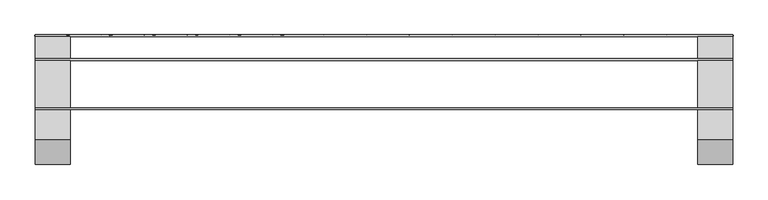
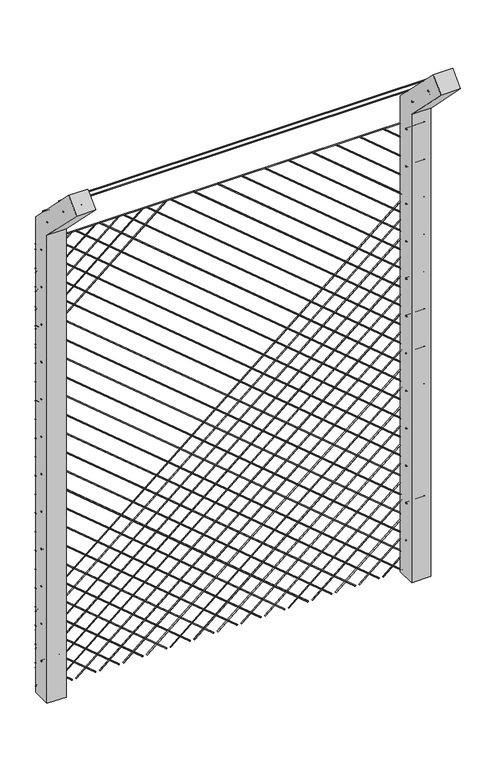
"""IFC4 building model written with IfcOpenShell, lengths in millimetres: proxy geometry."""

from ifc_helpers import new_model, si_unit, point, frame, frame_2d, origin, origin_2d, place, context, project, spatial, polyline, circle_curve, trimmed, segment, composite_curve, outline, extrude, source, transform, mapped, element, save


def generic_models_ff42e569(model_context):
    return source(origin(), model_context, "Body", "SweptSolid", [
        extrude(outline(polyline([(50.0, 0.0), (-50.0, 0.0), (-50.0, 2579.2893219), (-318.1980515, 2847.4873734), (-247.4873734, 2918.1980515), (50.0, 2620.7106781), (50.0, 0.0)]), holes=[composite_curve([segment(trimmed(circle_curve(frame_2d((0.0, 203.0)), 3.0), [point((3.0, 203.0))], [point((-3.0, 203.0))], True, "CARTESIAN"), True, "CONTINUOUS"), segment(trimmed(circle_curve(frame_2d((0.0, 203.0)), 3.0), [point((-3.0, 203.0))], [point((3.0, 203.0))], True, "CARTESIAN"), True, "CONTINUOUS")], self_intersect=False), composite_curve([segment(trimmed(circle_curve(frame_2d((0.0, 409.0)), 3.0), [point((3.0, 409.0))], [point((-3.0, 409.0))], True, "CARTESIAN"), True, "CONTINUOUS"), segment(trimmed(circle_curve(frame_2d((0.0, 409.0)), 3.0), [point((-3.0, 409.0))], [point((3.0, 409.0))], True, "CARTESIAN"), True, "CONTINUOUS")], self_intersect=False), composite_curve([segment(trimmed(circle_curve(frame_2d((0.0, 615.0)), 3.0), [point((3.0, 615.0))], [point((-3.0, 615.0))], True, "CARTESIAN"), True, "CONTINUOUS"), segment(trimmed(circle_curve(frame_2d((0.0, 615.0)), 3.0), [point((-3.0, 615.0))], [point((3.0, 615.0))], True, "CARTESIAN"), True, "CONTINUOUS")], self_intersect=False), composite_curve([segment(trimmed(circle_curve(frame_2d((0.0, 821.0)), 3.0), [point((3.0, 821.0))], [point((-3.0, 821.0))], True, "CARTESIAN"), True, "CONTINUOUS"), segment(trimmed(circle_curve(frame_2d((0.0, 821.0)), 3.0), [point((-3.0, 821.0))], [point((3.0, 821.0))], True, "CARTESIAN"), True, "CONTINUOUS")], self_intersect=False), composite_curve([segment(trimmed(circle_curve(frame_2d((0.0, 1027.0)), 3.0), [point((3.0, 1027.0))], [point((-3.0, 1027.0))], True, "CARTESIAN"), True, "CONTINUOUS"), segment(trimmed(circle_curve(frame_2d((0.0, 1027.0)), 3.0), [point((-3.0, 1027.0))], [point((3.0, 1027.0))], True, "CARTESIAN"), True, "CONTINUOUS")], self_intersect=False), composite_curve([segment(trimmed(circle_curve(frame_2d((0.0, 1233.0)), 3.0), [point((3.0, 1233.0))], [point((-3.0, 1233.0))], True, "CARTESIAN"), True, "CONTINUOUS"), segment(trimmed(circle_curve(frame_2d((0.0, 1233.0)), 3.0), [point((-3.0, 1233.0))], [point((3.0, 1233.0))], True, "CARTESIAN"), True, "CONTINUOUS")], self_intersect=False), composite_curve([segment(trimmed(circle_curve(frame_2d((0.0, 1439.0)), 3.0), [point((3.0, 1439.0))], [point((-3.0, 1439.0))], True, "CARTESIAN"), True, "CONTINUOUS"), segment(trimmed(circle_curve(frame_2d((0.0, 1439.0)), 3.0), [point((-3.0, 1439.0))], [point((3.0, 1439.0))], True, "CARTESIAN"), True, "CONTINUOUS")], self_intersect=False), composite_curve([segment(trimmed(circle_curve(frame_2d((0.0, 1645.0)), 3.0), [point((3.0, 1645.0))], [point((-3.0, 1645.0))], True, "CARTESIAN"), True, "CONTINUOUS"), segment(trimmed(circle_curve(frame_2d((0.0, 1645.0)), 3.0), [point((-3.0, 1645.0))], [point((3.0, 1645.0))], True, "CARTESIAN"), True, "CONTINUOUS")], self_intersect=False), composite_curve([segment(trimmed(circle_curve(frame_2d((0.0, 1851.0)), 3.0), [point((3.0, 1851.0))], [point((-3.0, 1851.0))], True, "CARTESIAN"), True, "CONTINUOUS"), segment(trimmed(circle_curve(frame_2d((0.0, 1851.0)), 3.0), [point((-3.0, 1851.0))], [point((3.0, 1851.0))], True, "CARTESIAN"), True, "CONTINUOUS")], self_intersect=False), composite_curve([segment(trimmed(circle_curve(frame_2d((0.0, 2057.0)), 3.0), [point((3.0, 2057.0))], [point((-3.0, 2057.0))], True, "CARTESIAN"), True, "CONTINUOUS"), segment(trimmed(circle_curve(frame_2d((0.0, 2057.0)), 3.0), [point((-3.0, 2057.0))], [point((3.0, 2057.0))], True, "CARTESIAN"), True, "CONTINUOUS")], self_intersect=False), composite_curve([segment(trimmed(circle_curve(frame_2d((0.0, 2263.0)), 3.0), [point((3.0, 2263.0))], [point((-3.0, 2263.0))], True, "CARTESIAN"), True, "CONTINUOUS"), segment(trimmed(circle_curve(frame_2d((0.0, 2263.0)), 3.0), [point((-3.0, 2263.0))], [point((3.0, 2263.0))], True, "CARTESIAN"), True, "CONTINUOUS")], self_intersect=False), composite_curve([segment(trimmed(circle_curve(frame_2d((0.0, 2469.0)), 3.0), [point((3.0, 2469.0))], [point((-3.0, 2469.0))], True, "CARTESIAN"), True, "CONTINUOUS"), segment(trimmed(circle_curve(frame_2d((0.0, 2469.0)), 3.0), [point((-3.0, 2469.0))], [point((3.0, 2469.0))], True, "CARTESIAN"), True, "CONTINUOUS")], self_intersect=False), composite_curve([segment(trimmed(circle_curve(frame_2d((-53.0330086, 2653.0330086)), 3.0), [point((-50.0330086, 2653.0330086))], [point((-56.0330086, 2653.0330086))], True, "CARTESIAN"), True, "CONTINUOUS"), segment(trimmed(circle_curve(frame_2d((-53.0330086, 2653.0330086)), 3.0), [point((-56.0330086, 2653.0330086))], [point((-50.0330086, 2653.0330086))], True, "CARTESIAN"), True, "CONTINUOUS")], self_intersect=False), composite_curve([segment(trimmed(circle_curve(frame_2d((-198.6970055, 2798.6970055)), 3.0), [point((-195.6970055, 2798.6970055))], [point((-201.6970055, 2798.6970055))], True, "CARTESIAN"), True, "CONTINUOUS"), segment(trimmed(circle_curve(frame_2d((-198.6970055, 2798.6970055)), 3.0), [point((-201.6970055, 2798.6970055))], [point((-195.6970055, 2798.6970055))], True, "CARTESIAN"), True, "CONTINUOUS")], self_intersect=False)]), frame((900.0, 0.0, 0.0), z_axis=(1.0, 0.0, 0.0), x_axis=(0.0, 1.0, 0.0)), (0.0, 0.0, 1.0), 100.0),
        extrude(outline(polyline([(50.0, 0.0), (-50.0, 0.0), (-50.0, 2579.2893219), (-318.1980515, 2847.4873734), (-247.4873734, 2918.1980515), (50.0, 2620.7106781), (50.0, 0.0)]), holes=[composite_curve([segment(trimmed(circle_curve(frame_2d((0.0, 203.0)), 3.0), [point((3.0, 203.0))], [point((-3.0, 203.0))], True, "CARTESIAN"), True, "CONTINUOUS"), segment(trimmed(circle_curve(frame_2d((0.0, 203.0)), 3.0), [point((-3.0, 203.0))], [point((3.0, 203.0))], True, "CARTESIAN"), True, "CONTINUOUS")], self_intersect=False), composite_curve([segment(trimmed(circle_curve(frame_2d((0.0, 409.0)), 3.0), [point((3.0, 409.0))], [point((-3.0, 409.0))], True, "CARTESIAN"), True, "CONTINUOUS"), segment(trimmed(circle_curve(frame_2d((0.0, 409.0)), 3.0), [point((-3.0, 409.0))], [point((3.0, 409.0))], True, "CARTESIAN"), True, "CONTINUOUS")], self_intersect=False), composite_curve([segment(trimmed(circle_curve(frame_2d((0.0, 615.0)), 3.0), [point((3.0, 615.0))], [point((-3.0, 615.0))], True, "CARTESIAN"), True, "CONTINUOUS"), segment(trimmed(circle_curve(frame_2d((0.0, 615.0)), 3.0), [point((-3.0, 615.0))], [point((3.0, 615.0))], True, "CARTESIAN"), True, "CONTINUOUS")], self_intersect=False), composite_curve([segment(trimmed(circle_curve(frame_2d((0.0, 821.0)), 3.0), [point((3.0, 821.0))], [point((-3.0, 821.0))], True, "CARTESIAN"), True, "CONTINUOUS"), segment(trimmed(circle_curve(frame_2d((0.0, 821.0)), 3.0), [point((-3.0, 821.0))], [point((3.0, 821.0))], True, "CARTESIAN"), True, "CONTINUOUS")], self_intersect=False), composite_curve([segment(trimmed(circle_curve(frame_2d((0.0, 1027.0)), 3.0), [point((3.0, 1027.0))], [point((-3.0, 1027.0))], True, "CARTESIAN"), True, "CONTINUOUS"), segment(trimmed(circle_curve(frame_2d((0.0, 1027.0)), 3.0), [point((-3.0, 1027.0))], [point((3.0, 1027.0))], True, "CARTESIAN"), True, "CONTINUOUS")], self_intersect=False), composite_curve([segment(trimmed(circle_curve(frame_2d((0.0, 1233.0)), 3.0), [point((3.0, 1233.0))], [point((-3.0, 1233.0))], True, "CARTESIAN"), True, "CONTINUOUS"), segment(trimmed(circle_curve(frame_2d((0.0, 1233.0)), 3.0), [point((-3.0, 1233.0))], [point((3.0, 1233.0))], True, "CARTESIAN"), True, "CONTINUOUS")], self_intersect=False), composite_curve([segment(trimmed(circle_curve(frame_2d((0.0, 1439.0)), 3.0), [point((3.0, 1439.0))], [point((-3.0, 1439.0))], True, "CARTESIAN"), True, "CONTINUOUS"), segment(trimmed(circle_curve(frame_2d((0.0, 1439.0)), 3.0), [point((-3.0, 1439.0))], [point((3.0, 1439.0))], True, "CARTESIAN"), True, "CONTINUOUS")], self_intersect=False), composite_curve([segment(trimmed(circle_curve(frame_2d((0.0, 1645.0)), 3.0), [point((3.0, 1645.0))], [point((-3.0, 1645.0))], True, "CARTESIAN"), True, "CONTINUOUS"), segment(trimmed(circle_curve(frame_2d((0.0, 1645.0)), 3.0), [point((-3.0, 1645.0))], [point((3.0, 1645.0))], True, "CARTESIAN"), True, "CONTINUOUS")], self_intersect=False), composite_curve([segment(trimmed(circle_curve(frame_2d((0.0, 1851.0)), 3.0), [point((3.0, 1851.0))], [point((-3.0, 1851.0))], True, "CARTESIAN"), True, "CONTINUOUS"), segment(trimmed(circle_curve(frame_2d((0.0, 1851.0)), 3.0), [point((-3.0, 1851.0))], [point((3.0, 1851.0))], True, "CARTESIAN"), True, "CONTINUOUS")], self_intersect=False), composite_curve([segment(trimmed(circle_curve(frame_2d((0.0, 2057.0)), 3.0), [point((3.0, 2057.0))], [point((-3.0, 2057.0))], True, "CARTESIAN"), True, "CONTINUOUS"), segment(trimmed(circle_curve(frame_2d((0.0, 2057.0)), 3.0), [point((-3.0, 2057.0))], [point((3.0, 2057.0))], True, "CARTESIAN"), True, "CONTINUOUS")], self_intersect=False), composite_curve([segment(trimmed(circle_curve(frame_2d((0.0, 2263.0)), 3.0), [point((3.0, 2263.0))], [point((-3.0, 2263.0))], True, "CARTESIAN"), True, "CONTINUOUS"), segment(trimmed(circle_curve(frame_2d((0.0, 2263.0)), 3.0), [point((-3.0, 2263.0))], [point((3.0, 2263.0))], True, "CARTESIAN"), True, "CONTINUOUS")], self_intersect=False), composite_curve([segment(trimmed(circle_curve(frame_2d((0.0, 2469.0)), 3.0), [point((3.0, 2469.0))], [point((-3.0, 2469.0))], True, "CARTESIAN"), True, "CONTINUOUS"), segment(trimmed(circle_curve(frame_2d((0.0, 2469.0)), 3.0), [point((-3.0, 2469.0))], [point((3.0, 2469.0))], True, "CARTESIAN"), True, "CONTINUOUS")], self_intersect=False), composite_curve([segment(trimmed(circle_curve(frame_2d((-53.0330086, 2653.0330086)), 3.0), [point((-50.0330086, 2653.0330086))], [point((-56.0330086, 2653.0330086))], True, "CARTESIAN"), True, "CONTINUOUS"), segment(trimmed(circle_curve(frame_2d((-53.0330086, 2653.0330086)), 3.0), [point((-56.0330086, 2653.0330086))], [point((-50.0330086, 2653.0330086))], True, "CARTESIAN"), True, "CONTINUOUS")], self_intersect=False), composite_curve([segment(trimmed(circle_curve(frame_2d((-198.6970055, 2798.6970055)), 3.0), [point((-195.6970055, 2798.6970055))], [point((-201.6970055, 2798.6970055))], True, "CARTESIAN"), True, "CONTINUOUS"), segment(trimmed(circle_curve(frame_2d((-198.6970055, 2798.6970055)), 3.0), [point((-201.6970055, 2798.6970055))], [point((-195.6970055, 2798.6970055))], True, "CARTESIAN"), True, "CONTINUOUS")], self_intersect=False)]), frame((-1000.0, 0.0, 0.0), z_axis=(1.0, 0.0, 0.0), x_axis=(0.0, 1.0, 0.0)), (0.0, 0.0, 1.0), 100.0),
        extrude(outline(composite_curve([segment(trimmed(circle_curve(frame_2d((-157.7465688, 2831.8580153)), 2.5), [point((-160.2465688, 2831.8580153))], [point((-155.2465688, 2831.8580153))], False, "CARTESIAN"), True, "CONTINUOUS"), segment(trimmed(circle_curve(frame_2d((-157.7465688, 2831.8580153)), 2.5), [point((-155.2465688, 2831.8580153))], [point((-160.2465688, 2831.8580153))], False, "CARTESIAN"), True, "CONTINUOUS")], self_intersect=False)), frame((-1000.0, 0.0, 0.0), z_axis=(1.0, 0.0, 0.0), x_axis=(0.0, 1.0, 0.0)), (0.0, 0.0, 1.0), 2000.0),
        extrude(outline(composite_curve([segment(trimmed(circle_curve(frame_2d((-15.9126048, 2690.1534123)), 2.5), [point((-18.4126048, 2690.1534123))], [point((-13.4126048, 2690.1534123))], False, "CARTESIAN"), True, "CONTINUOUS"), segment(trimmed(circle_curve(frame_2d((-15.9126048, 2690.1534123)), 2.5), [point((-13.4126048, 2690.1534123))], [point((-18.4126048, 2690.1534123))], False, "CARTESIAN"), True, "CONTINUOUS")], self_intersect=False)), frame((-1000.0, 0.0, 0.0), z_axis=(1.0, 0.0, 0.0), x_axis=(0.0, 1.0, 0.0)), (0.0, 0.0, 1.0), 2000.0),
        extrude(outline(composite_curve([segment(trimmed(circle_curve(frame_2d((52.5, 2469.0)), 2.5), [point((50.0, 2469.0))], [point((55.0, 2469.0))], False, "CARTESIAN"), True, "CONTINUOUS"), segment(trimmed(circle_curve(frame_2d((52.5, 2469.0)), 2.5), [point((55.0, 2469.0))], [point((50.0, 2469.0))], False, "CARTESIAN"), True, "CONTINUOUS")], self_intersect=False)), frame((-1000.0, 0.0, 0.0), z_axis=(1.0, 0.0, 0.0), x_axis=(0.0, 1.0, 0.0)), (0.0, 0.0, 1.0), 2000.0),
        extrude(outline(composite_curve([segment(trimmed(circle_curve(origin_2d(), 2.5), [point((2.5, 0.0))], [point((-2.5, 0.0))], False, "CARTESIAN"), True, "CONTINUOUS"), segment(trimmed(circle_curve(origin_2d(), 2.5), [point((-2.5, 0.0))], [point((2.5, 0.0))], False, "CARTESIAN"), True, "CONTINUOUS")], self_intersect=False)), frame((-810.5977985, 52.5, 2.5679403), z_axis=(-0.7660444431189724, 0.0, 0.6427876096865462), x_axis=(0.0, -1.0, 0.0)), (0.0, 0.0, 1.0), 247.2470145),
        extrude(outline(composite_curve([segment(trimmed(circle_curve(origin_2d(), 2.5), [point((2.5, 0.0))], [point((-2.5, 0.0))], False, "CARTESIAN"), True, "CONTINUOUS"), segment(trimmed(circle_curve(origin_2d(), 2.5), [point((-2.5, 0.0))], [point((2.5, 0.0))], False, "CARTESIAN"), True, "CONTINUOUS")], self_intersect=False)), frame((-687.5889829, 52.5, 2.5679403), z_axis=(-0.7660444431189724, 0.0, 0.6427876096865462), x_axis=(0.0, -1.0, 0.0)), (0.0, 0.0, 1.0), 407.8236189),
        extrude(outline(composite_curve([segment(trimmed(circle_curve(origin_2d(), 2.5), [point((2.5, 0.0))], [point((-2.5, 0.0))], False, "CARTESIAN"), True, "CONTINUOUS"), segment(trimmed(circle_curve(origin_2d(), 2.5), [point((-2.5, 0.0))], [point((2.5, 0.0))], False, "CARTESIAN"), True, "CONTINUOUS")], self_intersect=False)), frame((-564.5801674, 52.5, 2.5679403), z_axis=(-0.7660444431189724, 0.0, 0.6427876096865462), x_axis=(0.0, -1.0, 0.0)), (0.0, 0.0, 1.0), 568.4002234),
        extrude(outline(composite_curve([segment(trimmed(circle_curve(origin_2d(), 2.5), [point((2.5, 0.0))], [point((-2.5, 0.0))], False, "CARTESIAN"), True, "CONTINUOUS"), segment(trimmed(circle_curve(origin_2d(), 2.5), [point((-2.5, 0.0))], [point((2.5, 0.0))], False, "CARTESIAN"), True, "CONTINUOUS")], self_intersect=False)), frame((-441.5713519, 52.5, 2.5679403), z_axis=(-0.7660444431189724, 0.0, 0.6427876096865462), x_axis=(0.0, -1.0, 0.0)), (0.0, 0.0, 1.0), 728.9768278),
        extrude(outline(composite_curve([segment(trimmed(circle_curve(origin_2d(), 2.5), [point((2.5, 0.0))], [point((-2.5, 0.0))], False, "CARTESIAN"), True, "CONTINUOUS"), segment(trimmed(circle_curve(origin_2d(), 2.5), [point((-2.5, 0.0))], [point((2.5, 0.0))], False, "CARTESIAN"), True, "CONTINUOUS")], self_intersect=False)), frame((-318.5625364, 52.5, 2.5679403), z_axis=(-0.7660444431189724, 0.0, 0.6427876096865462), x_axis=(0.0, -1.0, 0.0)), (0.0, 0.0, 1.0), 889.5534322),
        extrude(outline(composite_curve([segment(trimmed(circle_curve(origin_2d(), 2.5), [point((2.5, 0.0))], [point((-2.5, 0.0))], False, "CARTESIAN"), True, "CONTINUOUS"), segment(trimmed(circle_curve(origin_2d(), 2.5), [point((-2.5, 0.0))], [point((2.5, 0.0))], False, "CARTESIAN"), True, "CONTINUOUS")], self_intersect=False)), frame((-195.5537209, 52.5, 2.5679403), z_axis=(-0.7660444431189724, 0.0, 0.6427876096865462), x_axis=(0.0, -1.0, 0.0)), (0.0, 0.0, 1.0), 1050.1300366),
        extrude(outline(composite_curve([segment(trimmed(circle_curve(origin_2d(), 2.5), [point((2.5, 0.0))], [point((-2.5, 0.0))], False, "CARTESIAN"), True, "CONTINUOUS"), segment(trimmed(circle_curve(origin_2d(), 2.5), [point((-2.5, 0.0))], [point((2.5, 0.0))], False, "CARTESIAN"), True, "CONTINUOUS")], self_intersect=False)), frame((-72.5449054, 52.5, 2.5679403), z_axis=(-0.7660444431189724, 0.0, 0.6427876096865462), x_axis=(0.0, -1.0, 0.0)), (0.0, 0.0, 1.0), 1210.7066411),
        extrude(outline(composite_curve([segment(trimmed(circle_curve(origin_2d(), 2.5), [point((2.5, 0.0))], [point((-2.5, 0.0))], False, "CARTESIAN"), True, "CONTINUOUS"), segment(trimmed(circle_curve(origin_2d(), 2.5), [point((-2.5, 0.0))], [point((2.5, 0.0))], False, "CARTESIAN"), True, "CONTINUOUS")], self_intersect=False)), frame((50.4639102, 52.5, 2.5679403), z_axis=(-0.7660444431189724, 0.0, 0.6427876096865462), x_axis=(0.0, -1.0, 0.0)), (0.0, 0.0, 1.0), 1371.2832455),
        extrude(outline(composite_curve([segment(trimmed(circle_curve(origin_2d(), 2.5), [point((2.5, 0.0))], [point((-2.5, 0.0))], False, "CARTESIAN"), True, "CONTINUOUS"), segment(trimmed(circle_curve(origin_2d(), 2.5), [point((-2.5, 0.0))], [point((2.5, 0.0))], False, "CARTESIAN"), True, "CONTINUOUS")], self_intersect=False)), frame((173.4727257, 52.5, 2.5679403), z_axis=(-0.7660444431189724, 0.0, 0.6427876096865462), x_axis=(0.0, -1.0, 0.0)), (0.0, 0.0, 1.0), 1531.8598499),
        extrude(outline(composite_curve([segment(trimmed(circle_curve(origin_2d(), 2.5), [point((2.5, 0.0))], [point((-2.5, 0.0))], False, "CARTESIAN"), True, "CONTINUOUS"), segment(trimmed(circle_curve(origin_2d(), 2.5), [point((-2.5, 0.0))], [point((2.5, 0.0))], False, "CARTESIAN"), True, "CONTINUOUS")], self_intersect=False)), frame((296.4815412, 52.5, 2.5679403), z_axis=(-0.7660444431189724, 0.0, 0.6427876096865462), x_axis=(0.0, -1.0, 0.0)), (0.0, 0.0, 1.0), 1692.4364543),
        extrude(outline(composite_curve([segment(trimmed(circle_curve(origin_2d(), 2.5), [point((2.5, 0.0))], [point((-2.5, 0.0))], False, "CARTESIAN"), True, "CONTINUOUS"), segment(trimmed(circle_curve(origin_2d(), 2.5), [point((-2.5, 0.0))], [point((2.5, 0.0))], False, "CARTESIAN"), True, "CONTINUOUS")], self_intersect=False)), frame((419.4903567, 52.5, 2.5679403), z_axis=(-0.7660444431189724, 0.0, 0.6427876096865462), x_axis=(0.0, -1.0, 0.0)), (0.0, 0.0, 1.0), 1853.0130588),
        extrude(outline(composite_curve([segment(trimmed(circle_curve(origin_2d(), 2.5), [point((2.5, 0.0))], [point((-2.5, 0.0))], False, "CARTESIAN"), True, "CONTINUOUS"), segment(trimmed(circle_curve(origin_2d(), 2.5), [point((-2.5, 0.0))], [point((2.5, 0.0))], False, "CARTESIAN"), True, "CONTINUOUS")], self_intersect=False)), frame((542.4991722, 52.5, 2.5679403), z_axis=(-0.7660444431189724, 0.0, 0.6427876096865462), x_axis=(0.0, -1.0, 0.0)), (0.0, 0.0, 1.0), 2013.5896632),
        extrude(outline(composite_curve([segment(trimmed(circle_curve(origin_2d(), 2.5), [point((2.5, 0.0))], [point((-2.5, 0.0))], False, "CARTESIAN"), True, "CONTINUOUS"), segment(trimmed(circle_curve(origin_2d(), 2.5), [point((-2.5, 0.0))], [point((2.5, 0.0))], False, "CARTESIAN"), True, "CONTINUOUS")], self_intersect=False)), frame((665.5079877, 52.5, 2.5679403), z_axis=(-0.7660444431189724, 0.0, 0.6427876096865462), x_axis=(0.0, -1.0, 0.0)), (0.0, 0.0, 1.0), 2174.1662676),
        extrude(outline(composite_curve([segment(trimmed(circle_curve(origin_2d(), 2.5), [point((2.5, 0.0))], [point((-2.5, 0.0))], False, "CARTESIAN"), True, "CONTINUOUS"), segment(trimmed(circle_curve(origin_2d(), 2.5), [point((-2.5, 0.0))], [point((2.5, 0.0))], False, "CARTESIAN"), True, "CONTINUOUS")], self_intersect=False)), frame((788.5168032, 52.5, 2.5679403), z_axis=(-0.7660444431189724, 0.0, 0.6427876096865462), x_axis=(0.0, -1.0, 0.0)), (0.0, 0.0, 1.0), 2334.742872),
        extrude(outline(composite_curve([segment(trimmed(circle_curve(origin_2d(), 2.5), [point((2.5, 0.0))], [point((-2.5, 0.0))], False, "CARTESIAN"), True, "CONTINUOUS"), segment(trimmed(circle_curve(origin_2d(), 2.5), [point((-2.5, 0.0))], [point((2.5, 0.0))], False, "CARTESIAN"), True, "CONTINUOUS")], self_intersect=False)), frame((911.5256188, 52.5, 2.5679403), z_axis=(-0.7660444431189724, 0.0, 0.6427876096865462), x_axis=(0.0, -1.0, 0.0)), (0.0, 0.0, 1.0), 2495.3194765),
        extrude(outline(composite_curve([segment(trimmed(circle_curve(origin_2d(), 2.5), [point((2.5, 0.0))], [point((-2.5, 0.0))], False, "CARTESIAN"), True, "CONTINUOUS"), segment(trimmed(circle_curve(origin_2d(), 2.5), [point((-2.5, 0.0))], [point((2.5, 0.0))], False, "CARTESIAN"), True, "CONTINUOUS")], self_intersect=False)), frame((1000.0, 52.5, 31.5457714), z_axis=(-0.7660444431189724, 0.0, 0.6427876096865462), x_axis=(0.0, -1.0, 0.0)), (0.0, 0.0, 1.0), 2610.8145787),
        extrude(outline(composite_curve([segment(trimmed(circle_curve(origin_2d(), 2.5), [point((2.5, 0.0))], [point((-2.5, 0.0))], False, "CARTESIAN"), True, "CONTINUOUS"), segment(trimmed(circle_curve(origin_2d(), 2.5), [point((-2.5, 0.0))], [point((2.5, 0.0))], False, "CARTESIAN"), True, "CONTINUOUS")], self_intersect=False)), frame((1000.0, 52.5, 134.7624231), z_axis=(-0.7660444431189724, 0.0, 0.6427876096865462), x_axis=(0.0, -1.0, 0.0)), (0.0, 0.0, 1.0), 2610.8145787),
        extrude(outline(composite_curve([segment(trimmed(circle_curve(origin_2d(), 2.5), [point((2.5, 0.0))], [point((-2.5, 0.0))], False, "CARTESIAN"), True, "CONTINUOUS"), segment(trimmed(circle_curve(origin_2d(), 2.5), [point((-2.5, 0.0))], [point((2.5, 0.0))], False, "CARTESIAN"), True, "CONTINUOUS")], self_intersect=False)), frame((1000.0, 52.5, 237.9790749), z_axis=(-0.7660444431189724, 0.0, 0.6427876096865462), x_axis=(0.0, -1.0, 0.0)), (0.0, 0.0, 1.0), 2610.8145787),
        extrude(outline(composite_curve([segment(trimmed(circle_curve(origin_2d(), 2.5), [point((2.5, 0.0))], [point((-2.5, 0.0))], False, "CARTESIAN"), True, "CONTINUOUS"), segment(trimmed(circle_curve(origin_2d(), 2.5), [point((-2.5, 0.0))], [point((2.5, 0.0))], False, "CARTESIAN"), True, "CONTINUOUS")], self_intersect=False)), frame((1000.0, 52.5, 341.1957266), z_axis=(-0.7660444431189724, 0.0, 0.6427876096865462), x_axis=(0.0, -1.0, 0.0)), (0.0, 0.0, 1.0), 2610.8145787),
        extrude(outline(composite_curve([segment(trimmed(circle_curve(origin_2d(), 2.5), [point((2.5, 0.0))], [point((-2.5, 0.0))], False, "CARTESIAN"), True, "CONTINUOUS"), segment(trimmed(circle_curve(origin_2d(), 2.5), [point((-2.5, 0.0))], [point((2.5, 0.0))], False, "CARTESIAN"), True, "CONTINUOUS")], self_intersect=False)), frame((1000.0, 52.5, 444.4123783), z_axis=(-0.7660444431189724, 0.0, 0.6427876096865462), x_axis=(0.0, -1.0, 0.0)), (0.0, 0.0, 1.0), 2610.8145787),
        extrude(outline(composite_curve([segment(trimmed(circle_curve(origin_2d(), 2.5), [point((2.5, 0.0))], [point((-2.5, 0.0))], False, "CARTESIAN"), True, "CONTINUOUS"), segment(trimmed(circle_curve(origin_2d(), 2.5), [point((-2.5, 0.0))], [point((2.5, 0.0))], False, "CARTESIAN"), True, "CONTINUOUS")], self_intersect=False)), frame((1000.0, 52.5, 2309.6406229), z_axis=(-0.7660444431189722, 0.0, 0.6427876096865464), x_axis=(0.0, -1.0, 0.0)), (0.0, 0.0, 1.0), 247.2470145),
        extrude(outline(composite_curve([segment(trimmed(circle_curve(origin_2d(), 2.5), [point((2.5, 0.0))], [point((-2.5, 0.0))], False, "CARTESIAN"), True, "CONTINUOUS"), segment(trimmed(circle_curve(origin_2d(), 2.5), [point((-2.5, 0.0))], [point((2.5, 0.0))], False, "CARTESIAN"), True, "CONTINUOUS")], self_intersect=False)), frame((1000.0, 52.5, 2206.4239712), z_axis=(-0.7660444431189722, 0.0, 0.6427876096865464), x_axis=(0.0, -1.0, 0.0)), (0.0, 0.0, 1.0), 407.8236189),
        extrude(outline(composite_curve([segment(trimmed(circle_curve(origin_2d(), 2.5), [point((2.5, 0.0))], [point((-2.5, 0.0))], False, "CARTESIAN"), True, "CONTINUOUS"), segment(trimmed(circle_curve(origin_2d(), 2.5), [point((-2.5, 0.0))], [point((2.5, 0.0))], False, "CARTESIAN"), True, "CONTINUOUS")], self_intersect=False)), frame((1000.0, 52.5, 2103.2073194), z_axis=(-0.7660444431189722, 0.0, 0.6427876096865464), x_axis=(0.0, -1.0, 0.0)), (0.0, 0.0, 1.0), 568.4002234),
        extrude(outline(composite_curve([segment(trimmed(circle_curve(origin_2d(), 2.5), [point((2.5, 0.0))], [point((-2.5, 0.0))], False, "CARTESIAN"), True, "CONTINUOUS"), segment(trimmed(circle_curve(origin_2d(), 2.5), [point((-2.5, 0.0))], [point((2.5, 0.0))], False, "CARTESIAN"), True, "CONTINUOUS")], self_intersect=False)), frame((1000.0, 52.5, 1999.9906677), z_axis=(-0.7660444431189722, 0.0, 0.6427876096865464), x_axis=(0.0, -1.0, 0.0)), (0.0, 0.0, 1.0), 728.9768278),
        extrude(outline(composite_curve([segment(trimmed(circle_curve(origin_2d(), 2.5), [point((2.5, 0.0))], [point((-2.5, 0.0))], False, "CARTESIAN"), True, "CONTINUOUS"), segment(trimmed(circle_curve(origin_2d(), 2.5), [point((-2.5, 0.0))], [point((2.5, 0.0))], False, "CARTESIAN"), True, "CONTINUOUS")], self_intersect=False)), frame((1000.0, 52.5, 1896.774016), z_axis=(-0.7660444431189722, 0.0, 0.6427876096865464), x_axis=(0.0, -1.0, 0.0)), (0.0, 0.0, 1.0), 889.5534322),
        extrude(outline(composite_curve([segment(trimmed(circle_curve(origin_2d(), 2.5), [point((2.5, 0.0))], [point((-2.5, 0.0))], False, "CARTESIAN"), True, "CONTINUOUS"), segment(trimmed(circle_curve(origin_2d(), 2.5), [point((-2.5, 0.0))], [point((2.5, 0.0))], False, "CARTESIAN"), True, "CONTINUOUS")], self_intersect=False)), frame((1000.0, 52.5, 1793.5573642), z_axis=(-0.7660444431189722, 0.0, 0.6427876096865464), x_axis=(0.0, -1.0, 0.0)), (0.0, 0.0, 1.0), 1050.1300366),
        extrude(outline(composite_curve([segment(trimmed(circle_curve(origin_2d(), 2.5), [point((2.5, 0.0))], [point((-2.5, 0.0))], False, "CARTESIAN"), True, "CONTINUOUS"), segment(trimmed(circle_curve(origin_2d(), 2.5), [point((-2.5, 0.0))], [point((2.5, 0.0))], False, "CARTESIAN"), True, "CONTINUOUS")], self_intersect=False)), frame((1000.0, 52.5, 1690.3407125), z_axis=(-0.7660444431189722, 0.0, 0.6427876096865464), x_axis=(0.0, -1.0, 0.0)), (0.0, 0.0, 1.0), 1210.7066411),
        extrude(outline(composite_curve([segment(trimmed(circle_curve(origin_2d(), 2.5), [point((2.5, 0.0))], [point((-2.5, 0.0))], False, "CARTESIAN"), True, "CONTINUOUS"), segment(trimmed(circle_curve(origin_2d(), 2.5), [point((-2.5, 0.0))], [point((2.5, 0.0))], False, "CARTESIAN"), True, "CONTINUOUS")], self_intersect=False)), frame((1000.0, 52.5, 1587.1240608), z_axis=(-0.7660444431189722, 0.0, 0.6427876096865464), x_axis=(0.0, -1.0, 0.0)), (0.0, 0.0, 1.0), 1371.2832455),
        extrude(outline(composite_curve([segment(trimmed(circle_curve(origin_2d(), 2.5), [point((2.5, 0.0))], [point((-2.5, 0.0))], False, "CARTESIAN"), True, "CONTINUOUS"), segment(trimmed(circle_curve(origin_2d(), 2.5), [point((-2.5, 0.0))], [point((2.5, 0.0))], False, "CARTESIAN"), True, "CONTINUOUS")], self_intersect=False)), frame((1000.0, 52.5, 1483.907409), z_axis=(-0.7660444431189722, 0.0, 0.6427876096865464), x_axis=(0.0, -1.0, 0.0)), (0.0, 0.0, 1.0), 1531.8598499),
        extrude(outline(composite_curve([segment(trimmed(circle_curve(origin_2d(), 2.5), [point((2.5, 0.0))], [point((-2.5, 0.0))], False, "CARTESIAN"), True, "CONTINUOUS"), segment(trimmed(circle_curve(origin_2d(), 2.5), [point((-2.5, 0.0))], [point((2.5, 0.0))], False, "CARTESIAN"), True, "CONTINUOUS")], self_intersect=False)), frame((1000.0, 52.5, 1380.6907573), z_axis=(-0.7660444431189722, 0.0, 0.6427876096865464), x_axis=(0.0, -1.0, 0.0)), (0.0, 0.0, 1.0), 1692.4364543),
        extrude(outline(composite_curve([segment(trimmed(circle_curve(origin_2d(), 2.5), [point((2.5, 0.0))], [point((-2.5, 0.0))], False, "CARTESIAN"), True, "CONTINUOUS"), segment(trimmed(circle_curve(origin_2d(), 2.5), [point((-2.5, 0.0))], [point((2.5, 0.0))], False, "CARTESIAN"), True, "CONTINUOUS")], self_intersect=False)), frame((1000.0, 52.5, 1277.4741056), z_axis=(-0.7660444431189722, 0.0, 0.6427876096865464), x_axis=(0.0, -1.0, 0.0)), (0.0, 0.0, 1.0), 1853.0130588),
        extrude(outline(composite_curve([segment(trimmed(circle_curve(origin_2d(), 2.5), [point((2.5, 0.0))], [point((-2.5, 0.0))], False, "CARTESIAN"), True, "CONTINUOUS"), segment(trimmed(circle_curve(origin_2d(), 2.5), [point((-2.5, 0.0))], [point((2.5, 0.0))], False, "CARTESIAN"), True, "CONTINUOUS")], self_intersect=False)), frame((1000.0, 52.5, 1174.2574539), z_axis=(-0.7660444431189722, 0.0, 0.6427876096865464), x_axis=(0.0, -1.0, 0.0)), (0.0, 0.0, 1.0), 2013.5896632),
        extrude(outline(composite_curve([segment(trimmed(circle_curve(origin_2d(), 2.5), [point((2.5, 0.0))], [point((-2.5, 0.0))], False, "CARTESIAN"), True, "CONTINUOUS"), segment(trimmed(circle_curve(origin_2d(), 2.5), [point((-2.5, 0.0))], [point((2.5, 0.0))], False, "CARTESIAN"), True, "CONTINUOUS")], self_intersect=False)), frame((1000.0, 52.5, 1071.0408021), z_axis=(-0.7660444431189722, 0.0, 0.6427876096865464), x_axis=(0.0, -1.0, 0.0)), (0.0, 0.0, 1.0), 2174.1662676),
        extrude(outline(composite_curve([segment(trimmed(circle_curve(origin_2d(), 2.5), [point((2.5, 0.0))], [point((-2.5, 0.0))], False, "CARTESIAN"), True, "CONTINUOUS"), segment(trimmed(circle_curve(origin_2d(), 2.5), [point((-2.5, 0.0))], [point((2.5, 0.0))], False, "CARTESIAN"), True, "CONTINUOUS")], self_intersect=False)), frame((1000.0, 52.5, 967.8241504), z_axis=(-0.7660444431189722, 0.0, 0.6427876096865464), x_axis=(0.0, -1.0, 0.0)), (0.0, 0.0, 1.0), 2334.742872),
        extrude(outline(composite_curve([segment(trimmed(circle_curve(origin_2d(), 2.5), [point((2.5, 0.0))], [point((-2.5, 0.0))], False, "CARTESIAN"), True, "CONTINUOUS"), segment(trimmed(circle_curve(origin_2d(), 2.5), [point((-2.5, 0.0))], [point((2.5, 0.0))], False, "CARTESIAN"), True, "CONTINUOUS")], self_intersect=False)), frame((1000.0, 52.5, 864.6074987), z_axis=(-0.7660444431189722, 0.0, 0.6427876096865464), x_axis=(0.0, -1.0, 0.0)), (0.0, 0.0, 1.0), 2495.3194765),
        extrude(outline(composite_curve([segment(trimmed(circle_curve(origin_2d(), 2.5), [point((2.5, 0.0))], [point((-2.5, 0.0))], False, "CARTESIAN"), True, "CONTINUOUS"), segment(trimmed(circle_curve(origin_2d(), 2.5), [point((-2.5, 0.0))], [point((2.5, 0.0))], False, "CARTESIAN"), True, "CONTINUOUS")], self_intersect=False)), frame((1000.0, 52.5, 761.3908469), z_axis=(-0.7660444431189722, 0.0, 0.6427876096865464), x_axis=(0.0, -1.0, 0.0)), (0.0, 0.0, 1.0), 2610.8145787),
        extrude(outline(composite_curve([segment(trimmed(circle_curve(origin_2d(), 2.5), [point((2.5, 0.0))], [point((-2.5, 0.0))], False, "CARTESIAN"), True, "CONTINUOUS"), segment(trimmed(circle_curve(origin_2d(), 2.5), [point((-2.5, 0.0))], [point((2.5, 0.0))], False, "CARTESIAN"), True, "CONTINUOUS")], self_intersect=False)), frame((1000.0, 52.5, 658.1741952), z_axis=(-0.7660444431189722, 0.0, 0.6427876096865464), x_axis=(0.0, -1.0, 0.0)), (0.0, 0.0, 1.0), 2610.8145787),
        extrude(outline(composite_curve([segment(trimmed(circle_curve(origin_2d(), 2.5), [point((2.5, 0.0))], [point((-2.5, 0.0))], False, "CARTESIAN"), True, "CONTINUOUS"), segment(trimmed(circle_curve(origin_2d(), 2.5), [point((-2.5, 0.0))], [point((2.5, 0.0))], False, "CARTESIAN"), True, "CONTINUOUS")], self_intersect=False)), frame((1000.0, 52.5, 554.9575435), z_axis=(-0.7660444431189722, 0.0, 0.6427876096865464), x_axis=(0.0, -1.0, 0.0)), (0.0, 0.0, 1.0), 2610.8145787),
        extrude(outline(composite_curve([segment(trimmed(circle_curve(origin_2d(), 2.5), [point((2.5, 0.0))], [point((-2.5, 0.0))], False, "CARTESIAN"), True, "CONTINUOUS"), segment(trimmed(circle_curve(origin_2d(), 2.5), [point((-2.5, 0.0))], [point((2.5, 0.0))], False, "CARTESIAN"), True, "CONTINUOUS")], self_intersect=False)), frame((810.5977985, 52.5, 2.5679403), z_axis=(0.7660444431189722, 0.0, 0.6427876096865464), x_axis=(0.0, -1.0, 0.0)), (0.0, 0.0, 1.0), 247.2470145),
        extrude(outline(composite_curve([segment(trimmed(circle_curve(origin_2d(), 2.5), [point((2.5, 0.0))], [point((-2.5, 0.0))], False, "CARTESIAN"), True, "CONTINUOUS"), segment(trimmed(circle_curve(origin_2d(), 2.5), [point((-2.5, 0.0))], [point((2.5, 0.0))], False, "CARTESIAN"), True, "CONTINUOUS")], self_intersect=False)), frame((687.5889829, 52.5, 2.5679403), z_axis=(0.7660444431189722, 0.0, 0.6427876096865464), x_axis=(0.0, -1.0, 0.0)), (0.0, 0.0, 1.0), 407.8236189),
        extrude(outline(composite_curve([segment(trimmed(circle_curve(origin_2d(), 2.5), [point((2.5, 0.0))], [point((-2.5, 0.0))], False, "CARTESIAN"), True, "CONTINUOUS"), segment(trimmed(circle_curve(origin_2d(), 2.5), [point((-2.5, 0.0))], [point((2.5, 0.0))], False, "CARTESIAN"), True, "CONTINUOUS")], self_intersect=False)), frame((564.5801674, 52.5, 2.5679403), z_axis=(0.7660444431189722, 0.0, 0.6427876096865464), x_axis=(0.0, -1.0, 0.0)), (0.0, 0.0, 1.0), 568.4002234),
        extrude(outline(composite_curve([segment(trimmed(circle_curve(origin_2d(), 2.5), [point((2.5, 0.0))], [point((-2.5, 0.0))], False, "CARTESIAN"), True, "CONTINUOUS"), segment(trimmed(circle_curve(origin_2d(), 2.5), [point((-2.5, 0.0))], [point((2.5, 0.0))], False, "CARTESIAN"), True, "CONTINUOUS")], self_intersect=False)), frame((441.5713519, 52.5, 2.5679403), z_axis=(0.7660444431189722, 0.0, 0.6427876096865464), x_axis=(0.0, -1.0, 0.0)), (0.0, 0.0, 1.0), 728.9768278),
        extrude(outline(composite_curve([segment(trimmed(circle_curve(origin_2d(), 2.5), [point((2.5, 0.0))], [point((-2.5, 0.0))], False, "CARTESIAN"), True, "CONTINUOUS"), segment(trimmed(circle_curve(origin_2d(), 2.5), [point((-2.5, 0.0))], [point((2.5, 0.0))], False, "CARTESIAN"), True, "CONTINUOUS")], self_intersect=False)), frame((318.5625364, 52.5, 2.5679403), z_axis=(0.7660444431189722, 0.0, 0.6427876096865464), x_axis=(0.0, -1.0, 0.0)), (0.0, 0.0, 1.0), 889.5534322),
        extrude(outline(composite_curve([segment(trimmed(circle_curve(origin_2d(), 2.5), [point((2.5, 0.0))], [point((-2.5, 0.0))], False, "CARTESIAN"), True, "CONTINUOUS"), segment(trimmed(circle_curve(origin_2d(), 2.5), [point((-2.5, 0.0))], [point((2.5, 0.0))], False, "CARTESIAN"), True, "CONTINUOUS")], self_intersect=False)), frame((195.5537209, 52.5, 2.5679403), z_axis=(0.7660444431189722, 0.0, 0.6427876096865464), x_axis=(0.0, -1.0, 0.0)), (0.0, 0.0, 1.0), 1050.1300366),
        extrude(outline(composite_curve([segment(trimmed(circle_curve(origin_2d(), 2.5), [point((2.5, 0.0))], [point((-2.5, 0.0))], False, "CARTESIAN"), True, "CONTINUOUS"), segment(trimmed(circle_curve(origin_2d(), 2.5), [point((-2.5, 0.0))], [point((2.5, 0.0))], False, "CARTESIAN"), True, "CONTINUOUS")], self_intersect=False)), frame((72.5449054, 52.5, 2.5679403), z_axis=(0.7660444431189722, 0.0, 0.6427876096865464), x_axis=(0.0, -1.0, 0.0)), (0.0, 0.0, 1.0), 1210.7066411),
        extrude(outline(composite_curve([segment(trimmed(circle_curve(origin_2d(), 2.5), [point((2.5, 0.0))], [point((-2.5, 0.0))], False, "CARTESIAN"), True, "CONTINUOUS"), segment(trimmed(circle_curve(origin_2d(), 2.5), [point((-2.5, 0.0))], [point((2.5, 0.0))], False, "CARTESIAN"), True, "CONTINUOUS")], self_intersect=False)), frame((-50.4639102, 52.5, 2.5679403), z_axis=(0.7660444431189722, 0.0, 0.6427876096865464), x_axis=(0.0, -1.0, 0.0)), (0.0, 0.0, 1.0), 1371.2832455),
        extrude(outline(composite_curve([segment(trimmed(circle_curve(origin_2d(), 2.5), [point((2.5, 0.0))], [point((-2.5, 0.0))], False, "CARTESIAN"), True, "CONTINUOUS"), segment(trimmed(circle_curve(origin_2d(), 2.5), [point((-2.5, 0.0))], [point((2.5, 0.0))], False, "CARTESIAN"), True, "CONTINUOUS")], self_intersect=False)), frame((-173.4727257, 52.5, 2.5679403), z_axis=(0.7660444431189722, 0.0, 0.6427876096865464), x_axis=(0.0, -1.0, 0.0)), (0.0, 0.0, 1.0), 1531.8598499),
        extrude(outline(composite_curve([segment(trimmed(circle_curve(origin_2d(), 2.5), [point((2.5, 0.0))], [point((-2.5, 0.0))], False, "CARTESIAN"), True, "CONTINUOUS"), segment(trimmed(circle_curve(origin_2d(), 2.5), [point((-2.5, 0.0))], [point((2.5, 0.0))], False, "CARTESIAN"), True, "CONTINUOUS")], self_intersect=False)), frame((-296.4815412, 52.5, 2.5679403), z_axis=(0.7660444431189722, 0.0, 0.6427876096865464), x_axis=(0.0, -1.0, 0.0)), (0.0, 0.0, 1.0), 1692.4364543),
        extrude(outline(composite_curve([segment(trimmed(circle_curve(origin_2d(), 2.5), [point((2.5, 0.0))], [point((-2.5, 0.0))], False, "CARTESIAN"), True, "CONTINUOUS"), segment(trimmed(circle_curve(origin_2d(), 2.5), [point((-2.5, 0.0))], [point((2.5, 0.0))], False, "CARTESIAN"), True, "CONTINUOUS")], self_intersect=False)), frame((-419.4903567, 52.5, 2.5679403), z_axis=(0.7660444431189722, 0.0, 0.6427876096865464), x_axis=(0.0, -1.0, 0.0)), (0.0, 0.0, 1.0), 1853.0130588),
        extrude(outline(composite_curve([segment(trimmed(circle_curve(origin_2d(), 2.5), [point((2.5, 0.0))], [point((-2.5, 0.0))], False, "CARTESIAN"), True, "CONTINUOUS"), segment(trimmed(circle_curve(origin_2d(), 2.5), [point((-2.5, 0.0))], [point((2.5, 0.0))], False, "CARTESIAN"), True, "CONTINUOUS")], self_intersect=False)), frame((-542.4991722, 52.5, 2.5679403), z_axis=(0.7660444431189722, 0.0, 0.6427876096865464), x_axis=(0.0, -1.0, 0.0)), (0.0, 0.0, 1.0), 2013.5896632),
        extrude(outline(composite_curve([segment(trimmed(circle_curve(origin_2d(), 2.5), [point((2.5, 0.0))], [point((-2.5, 0.0))], False, "CARTESIAN"), True, "CONTINUOUS"), segment(trimmed(circle_curve(origin_2d(), 2.5), [point((-2.5, 0.0))], [point((2.5, 0.0))], False, "CARTESIAN"), True, "CONTINUOUS")], self_intersect=False)), frame((-665.5079877, 52.5, 2.5679403), z_axis=(0.7660444431189722, 0.0, 0.6427876096865464), x_axis=(0.0, -1.0, 0.0)), (0.0, 0.0, 1.0), 2174.1662676),
        extrude(outline(composite_curve([segment(trimmed(circle_curve(origin_2d(), 2.5), [point((2.5, 0.0))], [point((-2.5, 0.0))], False, "CARTESIAN"), True, "CONTINUOUS"), segment(trimmed(circle_curve(origin_2d(), 2.5), [point((-2.5, 0.0))], [point((2.5, 0.0))], False, "CARTESIAN"), True, "CONTINUOUS")], self_intersect=False)), frame((-788.5168032, 52.5, 2.5679403), z_axis=(0.7660444431189722, 0.0, 0.6427876096865464), x_axis=(0.0, -1.0, 0.0)), (0.0, 0.0, 1.0), 2334.742872),
        extrude(outline(composite_curve([segment(trimmed(circle_curve(origin_2d(), 2.5), [point((2.5, 0.0))], [point((-2.5, 0.0))], False, "CARTESIAN"), True, "CONTINUOUS"), segment(trimmed(circle_curve(origin_2d(), 2.5), [point((-2.5, 0.0))], [point((2.5, 0.0))], False, "CARTESIAN"), True, "CONTINUOUS")], self_intersect=False)), frame((-911.5256188, 52.5, 2.5679403), z_axis=(0.7660444431189722, 0.0, 0.6427876096865464), x_axis=(0.0, -1.0, 0.0)), (0.0, 0.0, 1.0), 2495.3194765),
        extrude(outline(composite_curve([segment(trimmed(circle_curve(origin_2d(), 2.5), [point((2.5, 0.0))], [point((-2.5, 0.0))], False, "CARTESIAN"), True, "CONTINUOUS"), segment(trimmed(circle_curve(origin_2d(), 2.5), [point((-2.5, 0.0))], [point((2.5, 0.0))], False, "CARTESIAN"), True, "CONTINUOUS")], self_intersect=False)), frame((-1000.0, 52.5, 31.5457714), z_axis=(0.7660444431189722, 0.0, 0.6427876096865464), x_axis=(0.0, -1.0, 0.0)), (0.0, 0.0, 1.0), 2610.8145787),
        extrude(outline(composite_curve([segment(trimmed(circle_curve(origin_2d(), 2.5), [point((2.5, 0.0))], [point((-2.5, 0.0))], False, "CARTESIAN"), True, "CONTINUOUS"), segment(trimmed(circle_curve(origin_2d(), 2.5), [point((-2.5, 0.0))], [point((2.5, 0.0))], False, "CARTESIAN"), True, "CONTINUOUS")], self_intersect=False)), frame((-1000.0, 52.5, 134.7624231), z_axis=(0.7660444431189722, 0.0, 0.6427876096865464), x_axis=(0.0, -1.0, 0.0)), (0.0, 0.0, 1.0), 2610.8145787),
        extrude(outline(composite_curve([segment(trimmed(circle_curve(origin_2d(), 2.5), [point((2.5, 0.0))], [point((-2.5, 0.0))], False, "CARTESIAN"), True, "CONTINUOUS"), segment(trimmed(circle_curve(origin_2d(), 2.5), [point((-2.5, 0.0))], [point((2.5, 0.0))], False, "CARTESIAN"), True, "CONTINUOUS")], self_intersect=False)), frame((-1000.0, 52.5, 237.9790749), z_axis=(0.7660444431189722, 0.0, 0.6427876096865464), x_axis=(0.0, -1.0, 0.0)), (0.0, 0.0, 1.0), 2610.8145787),
        extrude(outline(composite_curve([segment(trimmed(circle_curve(origin_2d(), 2.5), [point((2.5, 0.0))], [point((-2.5, 0.0))], False, "CARTESIAN"), True, "CONTINUOUS"), segment(trimmed(circle_curve(origin_2d(), 2.5), [point((-2.5, 0.0))], [point((2.5, 0.0))], False, "CARTESIAN"), True, "CONTINUOUS")], self_intersect=False)), frame((-1000.0, 52.5, 341.1957266), z_axis=(0.7660444431189722, 0.0, 0.6427876096865464), x_axis=(0.0, -1.0, 0.0)), (0.0, 0.0, 1.0), 2610.8145787),
        extrude(outline(composite_curve([segment(trimmed(circle_curve(origin_2d(), 2.5), [point((2.5, 0.0))], [point((-2.5, 0.0))], False, "CARTESIAN"), True, "CONTINUOUS"), segment(trimmed(circle_curve(origin_2d(), 2.5), [point((-2.5, 0.0))], [point((2.5, 0.0))], False, "CARTESIAN"), True, "CONTINUOUS")], self_intersect=False)), frame((-1000.0, 52.5, 444.4123783), z_axis=(0.7660444431189722, 0.0, 0.6427876096865464), x_axis=(0.0, -1.0, 0.0)), (0.0, 0.0, 1.0), 2610.8145787),
        extrude(outline(composite_curve([segment(trimmed(circle_curve(origin_2d(), 2.5), [point((2.5, 0.0))], [point((-2.5, 0.0))], False, "CARTESIAN"), True, "CONTINUOUS"), segment(trimmed(circle_curve(origin_2d(), 2.5), [point((-2.5, 0.0))], [point((2.5, 0.0))], False, "CARTESIAN"), True, "CONTINUOUS")], self_intersect=False)), frame((-1000.0, 52.5, 2309.6406229), z_axis=(0.7660444431189722, 0.0, 0.6427876096865464), x_axis=(0.0, -1.0, 0.0)), (0.0, 0.0, 1.0), 247.2470145),
        extrude(outline(composite_curve([segment(trimmed(circle_curve(origin_2d(), 2.5), [point((2.5, 0.0))], [point((-2.5, 0.0))], False, "CARTESIAN"), True, "CONTINUOUS"), segment(trimmed(circle_curve(origin_2d(), 2.5), [point((-2.5, 0.0))], [point((2.5, 0.0))], False, "CARTESIAN"), True, "CONTINUOUS")], self_intersect=False)), frame((-1000.0, 52.5, 2206.4239712), z_axis=(0.7660444431189722, 0.0, 0.6427876096865464), x_axis=(0.0, -1.0, 0.0)), (0.0, 0.0, 1.0), 407.8236189),
        extrude(outline(composite_curve([segment(trimmed(circle_curve(origin_2d(), 2.5), [point((2.5, 0.0))], [point((-2.5, 0.0))], False, "CARTESIAN"), True, "CONTINUOUS"), segment(trimmed(circle_curve(origin_2d(), 2.5), [point((-2.5, 0.0))], [point((2.5, 0.0))], False, "CARTESIAN"), True, "CONTINUOUS")], self_intersect=False)), frame((-1000.0, 52.5, 2103.2073194), z_axis=(0.7660444431189722, 0.0, 0.6427876096865464), x_axis=(0.0, -1.0, 0.0)), (0.0, 0.0, 1.0), 568.4002234),
        extrude(outline(composite_curve([segment(trimmed(circle_curve(origin_2d(), 2.5), [point((2.5, 0.0))], [point((-2.5, 0.0))], False, "CARTESIAN"), True, "CONTINUOUS"), segment(trimmed(circle_curve(origin_2d(), 2.5), [point((-2.5, 0.0))], [point((2.5, 0.0))], False, "CARTESIAN"), True, "CONTINUOUS")], self_intersect=False)), frame((-1000.0, 52.5, 1999.9906677), z_axis=(0.7660444431189722, 0.0, 0.6427876096865464), x_axis=(0.0, -1.0, 0.0)), (0.0, 0.0, 1.0), 728.9768278),
        extrude(outline(composite_curve([segment(trimmed(circle_curve(origin_2d(), 2.5), [point((2.5, 0.0))], [point((-2.5, 0.0))], False, "CARTESIAN"), True, "CONTINUOUS"), segment(trimmed(circle_curve(origin_2d(), 2.5), [point((-2.5, 0.0))], [point((2.5, 0.0))], False, "CARTESIAN"), True, "CONTINUOUS")], self_intersect=False)), frame((-1000.0, 52.5, 1896.774016), z_axis=(0.7660444431189722, 0.0, 0.6427876096865464), x_axis=(0.0, -1.0, 0.0)), (0.0, 0.0, 1.0), 889.5534322),
    ])


if __name__ == "__main__":
    model = new_model("IFC4")
    model_context = context("Model", 3, world=origin())
    ifc_project = project(units=[si_unit("LENGTHUNIT", "METRE", prefix="MILLI")], contexts=[model_context])
    site = spatial("IfcSite", under=ifc_project)
    building = spatial("IfcBuilding", under=site)
    placement = place(None, origin())
    generic_models_shape = generic_models_ff42e569(model_context)
    element("IfcBuildingElementProxy", 1, Name="Generic Models", at=placement, inside=building, context=model_context, shape_type="MappedRepresentation", body=[
        mapped(generic_models_shape, transform((0.0, 0.0, 0.0), x_axis=(1.0, 0.0, 0.0), y_axis=(0.0, 1.0, 0.0), z_axis=(0.0, 0.0, 1.0))),
    ])
    save(model, "model.ifc")
